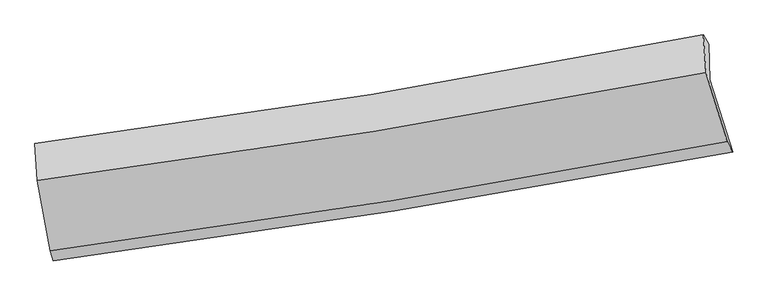
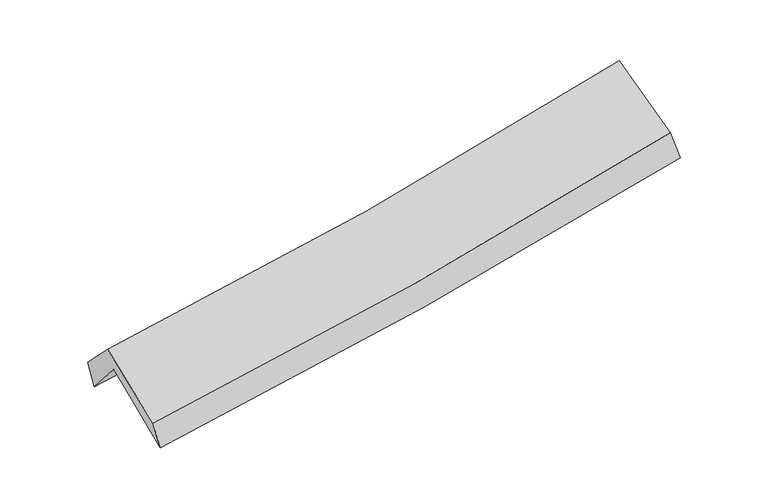
"""IFC4 building model written with IfcOpenShell, lengths in millimetres: proxy geometry."""

from ifc_helpers import new_model, si_unit, frame, origin, place, context, project, spatial, source, transform, mapped, element, save
from ifc_brep_helpers import plane_surface, spline_curve, spline_surface, advanced_brep


def generic_models_b07658b8(model_context):
    return source(origin(), model_context, "Body", "AdvancedBrep", [
        advanced_brep(
        [(-2282.4920712, -2471.9661273, 1501.3385996), (-2375.6956911, -1968.8948332, 1916.0396063), (2303.7257166, -1204.5609741, 2357.1113438), (2462.0711904, -1710.7281567, 1918.1802211), (-2388.6967698, -1712.1435945, 1610.7175719), (2294.2298658, -956.7722878, 2032.1789786), (-2408.8238432, -1652.4811388, 1795.5990038), (2257.2415725, -892.3723471, 2221.6808092), (-2393.0527859, -1908.7455467, 2058.5466235), (2276.4487491, -1156.8614293, 2496.5233713), (-2303.5200706, -2403.1626826, 1681.9011929), (2423.7087738, -1637.2403216, 2103.9059495)],
        [
            (0, 1),
            (1, 2, spline_curve(3, [(-2375.6956911, -1968.8948332, 1916.0396063), (-1589.643000151, -1864.112134371, 1975.38206734), (-806.118891933, -1747.9204803, 2041.871131323), (753.674030747, -1493.07839594, 2188.93521592), (1529.957058233, -1354.492097187, 2269.470064209), (2303.7257166, -1204.5609741, 2357.1113438)], [4, 2, 4], [0.0, 7.874230650946327, 15.726299111562014])),
            (2, 3),
            (3, 0, spline_curve(3, [(2462.0711904, -1710.7281567, 1918.1802211), (1677.51619558, -1857.402390456, 1830.740825779), (890.419200925, -1994.100685984, 1752.320550823), (-691.087516743, -2247.903069064, 1613.32235923), (-1485.511609308, -2364.950763863, 1552.795427315), (-2282.4920712, -2471.9661273, 1501.3385996)], [4, 2, 4], [0.0, 7.852068460615687, 15.726299111562014])),
            (1, 4),
            (4, 5, spline_curve(3, [(-2388.6967698, -1712.1435945, 1610.7175719), (-1601.213165252, -1611.892632137, 1660.19940984), (-816.681682204, -1498.712639204, 1720.126306874), (744.2772688, -1246.849527937, 1860.672155353), (1520.721331061, -1108.239085453, 1941.23239384), (2294.2298658, -956.7722878, 2032.1789786)], [4, 2, 4], [0.0, 7.824387472644062, 15.626753039647276])),
            (5, 2),
            (4, 6),
            (6, 7, spline_curve(3, [(-2408.8238432, -1652.4811388, 1795.5990038), (-1624.154636845, -1551.428931267, 1845.817055341), (-842.437434778, -1437.452976274, 1906.497659637), (712.901110296, -1184.010732849, 2048.583739229), (1486.539046523, -1044.617090815, 2129.930403517), (2257.2415725, -892.3723471, 2221.6808092)], [4, 2, 4], [0.0, 7.812321984742123, 15.60265602241677])),
            (7, 5),
            (6, 8),
            (8, 9, spline_curve(3, [(-2393.0527859, -1908.7455467, 2058.5466235), (-1607.843623362, -1808.00222562, 2109.65303709), (-825.569672481, -1694.867818746, 2171.771237428), (730.914340156, -1444.170128034, 2317.825385262), (1505.140900782, -1306.676495586, 2401.69943437), (2276.4487491, -1156.8614293, 2496.5233713)], [4, 2, 4], [0.0, 7.802242600665775, 15.582525622905813])),
            (9, 7),
            (8, 10),
            (10, 11, spline_curve(3, [(-2303.5200706, -2403.1626826, 1681.9011929), (-1508.831857548, -2297.704298517, 1732.068441772), (-717.000883348, -2181.042529256, 1792.382968309), (858.72600412, -1925.672099951, 1933.10825944), (1642.637977826, -1787.02641537, 2013.461985355), (2423.7087738, -1637.2403216, 2103.9059495)], [4, 2, 4], [0.0, 7.851898336638763, 15.681697337722438])),
            (11, 9),
            (10, 0),
            (3, 11),
        ],
        [
            spline_surface(3, 3, [[(-2282.4920712, -2471.9661273, 1501.3385996), (-1485.511609233, -2364.95076394, 1552.795427185), (-691.087516681, -2247.903069097, 1613.322359356), (890.419200864, -1994.100685951, 1752.320550698), (1677.516195497, -1857.402390584, 1830.740825658), (2462.0711904, -1710.7281567, 1918.1802211)], [(-2313.559944519, -2304.275695918, 1639.572268513), (-1520.222072863, -2198.004554063, 1693.657640608), (-729.431308396, -2081.242206124, 1756.171950025), (844.837477444, -1827.093255981, 1897.858772395), (1628.329816394, -1689.765626105, 1976.983905216), (2409.289365775, -1542.005762499, 2064.490595333)], [(-2344.627817781, -2136.585264582, 1777.805937387), (-1554.932536437, -2031.058344231, 1834.519853993), (-767.775100094, -1914.581343161, 1899.021540739), (799.255754042, -1660.085826022, 2043.396994138), (1579.143437365, -1522.128861627, 2123.226984773), (2356.507541225, -1373.283368301, 2210.800969567)], [(-2375.6956911, -1968.8948332, 1916.0396063), (-1589.643000067, -1864.112134354, 1975.382067416), (-806.118891808, -1747.920480187, 2041.871131408), (753.674030623, -1493.078396053, 2188.935215835), (1529.957058261, -1354.492097148, 2269.470064331), (2303.7257166, -1204.5609741, 2357.1113438)]], [4, 4], [4, 2, 4], [0.0, 2.209295481735337], [0.0, 7.874230650946327, 15.726299111562014]),
            spline_surface(3, 3, [[(-2375.6956911, -1968.8948332, 1916.0396063), (-1589.643000067, -1864.112134354, 1975.382067416), (-806.118891808, -1747.920480187, 2041.871131408), (753.674030623, -1493.078396053, 2188.935215835), (1529.957058261, -1354.492097148, 2269.470064331), (2303.7257166, -1204.5609741, 2357.1113438)], [(-2380.029383994, -1883.311086971, 1814.265594841), (-1593.499721759, -1780.038966984, 1870.32118158), (-809.639821918, -1664.851199832, 1934.622856574), (750.5417767, -1411.002106674, 2079.514195692), (1526.878482531, -1272.407759905, 2160.057507536), (2300.56043303, -1121.964745326, 2248.800555393)], [(-2384.363076906, -1797.727340729, 1712.491583359), (-1597.356443471, -1695.965799601, 1765.26029572), (-813.160752088, -1581.781919529, 1827.374581698), (747.409522716, -1328.925817346, 1970.093175507), (1523.79990671, -1190.323422683, 2050.644950762), (2297.39514937, -1039.368516574, 2140.489767007)], [(-2388.6967698, -1712.1435945, 1610.7175719), (-1601.213165163, -1611.892632231, 1660.199409884), (-816.681682198, -1498.712639174, 1720.126306864), (744.277268794, -1246.849527967, 1860.672155364), (1520.721330979, -1108.239085441, 1941.232393968), (2294.2298658, -956.7722878, 2032.1789786)]], [4, 4], [4, 2, 4], [0.0, 1.3410879057212128], [0.0, 7.824387472644062, 15.626753039647276]),
            spline_surface(3, 3, [[(-2388.6967698, -1712.1435945, 1610.7175719), (-1601.213165163, -1611.892632231, 1660.199409884), (-816.681682198, -1498.712639174, 1720.126306864), (744.277268794, -1246.849527967, 1860.672155364), (1520.721330979, -1108.239085441, 1941.232393968), (2294.2298658, -956.7722878, 2032.1789786)], [(-2395.405794259, -1692.256109284, 1672.344715839), (-1608.860322422, -1591.738065233, 1722.071958367), (-825.266933066, -1478.292751505, 1782.250091103), (733.818549265, -1225.903262975, 1923.309350018), (1509.327236179, -1087.031753897, 2004.131730503), (2281.900434698, -935.305640917, 2095.346255449)], [(-2402.114818741, -1672.368624016, 1733.971859861), (-1616.507479704, -1571.583498181, 1783.944506933), (-833.852183878, -1457.872863819, 1844.373875321), (723.359829793, -1204.956997965, 1985.94654465), (1497.933141383, -1065.824422302, 2067.031067091), (2269.571003602, -913.838993983, 2158.513532351)], [(-2408.8238432, -1652.4811388, 1795.5990038), (-1624.154636963, -1551.428931183, 1845.817055417), (-842.437434746, -1437.45297615, 1906.497659561), (712.901110264, -1184.010732973, 2048.583739305), (1486.539046583, -1044.617090758, 2129.930403626), (2257.2415725, -892.3723471, 2221.6808092)]], [4, 4], [4, 2, 4], [0.0, 0.6535916353697673], [0.0, 7.812321984742123, 15.60265602241677]),
            spline_surface(3, 3, [[(-2408.8238432, -1652.4811388, 1795.5990038), (-1624.154636963, -1551.428931183, 1845.817055417), (-842.437434746, -1437.45297615, 1906.497659561), (712.901110264, -1184.010732973, 2048.583739305), (1486.539046583, -1044.617090758, 2129.930403626), (2257.2415725, -892.3723471, 2221.6808092)], [(-2403.566824082, -1737.902608086, 1883.248210368), (-1618.717632379, -1636.953362653, 1933.76238267), (-836.814847286, -1523.257923712, 1994.922185498), (718.905520213, -1270.730531284, 2138.330954611), (1492.739664681, -1131.970225674, 2220.520080516), (2263.643964694, -980.535374476, 2313.294996568)], [(-2398.309805018, -1823.324077414, 1970.897416932), (-1613.280627849, -1722.477794166, 2021.707709919), (-831.19225986, -1609.062871293, 2083.346711482), (724.909930128, -1357.450329613, 2228.078169965), (1498.940282797, -1219.323360662, 2311.109757402), (2270.046356906, -1068.698401924, 2404.909183932)], [(-2393.0527859, -1908.7455467, 2058.5466235), (-1607.843623265, -1808.002225637, 2109.653037172), (-825.569672401, -1694.867818855, 2171.771237418), (730.914340076, -1444.170127924, 2317.825385272), (1505.140900895, -1306.676495578, 2401.699434292), (2276.4487491, -1156.8614293, 2496.5233713)]], [4, 4], [4, 2, 4], [0.0, 1.2218498420200288], [0.0, 7.802242600665775, 15.582525622905813]),
            spline_surface(3, 3, [[(-2393.0527859, -1908.7455467, 2058.5466235), (-1607.843623265, -1808.002225637, 2109.653037172), (-825.569672401, -1694.867818855, 2171.771237418), (730.914340076, -1444.170127924, 2317.825385272), (1505.140900895, -1306.676495578, 2401.699434292), (2276.4487491, -1156.8614293, 2496.5233713)], [(-2363.208547481, -2073.551258665, 1932.998146647), (-1574.839701348, -1971.236249901, 1983.791505411), (-789.380076012, -1856.926055657, 2045.308481016), (773.518228057, -1604.670785291, 2189.586343344), (1550.973259898, -1466.793135568, 2272.286951316), (2325.535424001, -1316.987726749, 2365.650897379)], [(-2333.364309019, -2238.356970635, 1807.449669753), (-1541.83577939, -2134.470274168, 1857.929973609), (-753.190479629, -2018.98429242, 1918.845724639), (816.122116033, -1765.171442618, 2061.34730144), (1596.805618898, -1626.909775511, 2142.874468302), (2374.622098899, -1477.114024151, 2234.778423421)], [(-2303.5200706, -2403.1626826, 1681.9011929), (-1508.831857473, -2297.704298433, 1732.068441848), (-717.000883241, -2181.042529223, 1792.382968237), (858.726004013, -1925.672099985, 1933.108259512), (1642.6379779, -1787.026415501, 2013.461985325), (2423.7087738, -1637.2403216, 2103.9059495)]], [4, 4], [4, 2, 4], [0.0, 2.059434631106436], [0.0, 7.851898336638763, 15.681697337722438]),
            spline_surface(3, 3, [[(-2303.5200706, -2403.1626826, 1681.9011929), (-1508.831857473, -2297.704298433, 1732.068441848), (-717.000883241, -2181.042529223, 1792.382968237), (858.726004013, -1925.672099985, 1933.108259512), (1642.6379779, -1787.026415501, 2013.461985325), (2423.7087738, -1637.2403216, 2103.9059495)], [(-2296.510737466, -2426.097164175, 1621.713661792), (-1501.058441393, -2320.119786944, 1672.310770285), (-708.363094396, -2203.329375856, 1732.696098628), (869.290402955, -1948.481628648, 1872.845689925), (1654.264050434, -1810.485073861, 1952.554932114), (2436.496246001, -1661.736266633, 2041.997373378)], [(-2289.501404334, -2449.031645725, 1561.526130708), (-1493.285025314, -2342.535275429, 1612.553098748), (-699.725305526, -2225.616222464, 1673.009228965), (879.854801922, -1971.291157287, 1812.583120285), (1665.890122964, -1833.943732224, 1891.647878869), (2449.283718199, -1686.232211667, 1980.088797222)], [(-2282.4920712, -2471.9661273, 1501.3385996), (-1485.511609233, -2364.95076394, 1552.795427185), (-691.087516681, -2247.903069097, 1613.322359356), (890.419200864, -1994.100685951, 1752.320550698), (1677.516195497, -1857.402390584, 1830.740825658), (2462.0711904, -1710.7281567, 1918.1802211)]], [4, 4], [4, 2, 4], [0.0, 0.6376696855669989], [0.0, 7.911840008399394, 15.801411974128403]),
            plane_surface(frame((2336.2376447, -1259.7559194, 2188.2634456), z_axis=(0.9725180747955844, 0.1979673228687676, 0.1225460455178511), x_axis=(0.23094168920374886, -0.7533579671721822, -0.6157253523170184))),
            plane_surface(frame((-2358.7135386, -2019.5656538, 1760.690433), z_axis=(-0.9894639084212016, -0.1287790356758882, -0.0661599115947753), x_axis=(-0.10818649897453879, 0.3539853535244213, 0.928972578136633))),
        ],
        [
            (0, [[1, 2, 3, 4]]),
            (1, [[5, 6, 7, -2]]),
            (2, [[8, 9, 10, -6]]),
            (3, [[11, 12, 13, -9]]),
            (4, [[14, 15, 16, -12]]),
            (5, [[17, -4, 18, -15]]),
            (6, [[-16, -18, -3, -7, -10, -13]]),
            (7, [[-17, -14, -11, -8, -5, -1]]),
        ],
    ),
    ])


if __name__ == "__main__":
    model = new_model("IFC4")
    model_context = context("Model", 3, world=origin())
    ifc_project = project(units=[si_unit("LENGTHUNIT", "METRE", prefix="MILLI")], contexts=[model_context])
    site = spatial("IfcSite", under=ifc_project)
    building = spatial("IfcBuilding", under=site)
    placement = place(None, origin())
    generic_models_shape = generic_models_b07658b8(model_context)
    element("IfcBuildingElementProxy", 1, Name="Generic Models", at=placement, inside=building, context=model_context, shape_type="MappedRepresentation", body=[
        mapped(generic_models_shape, transform((0.0, 0.0, 0.0), x_axis=(1.0, 0.0, 0.0), y_axis=(0.0, 1.0, 0.0), z_axis=(0.0, 0.0, 1.0))),
    ])
    save(model, "model.ifc")
